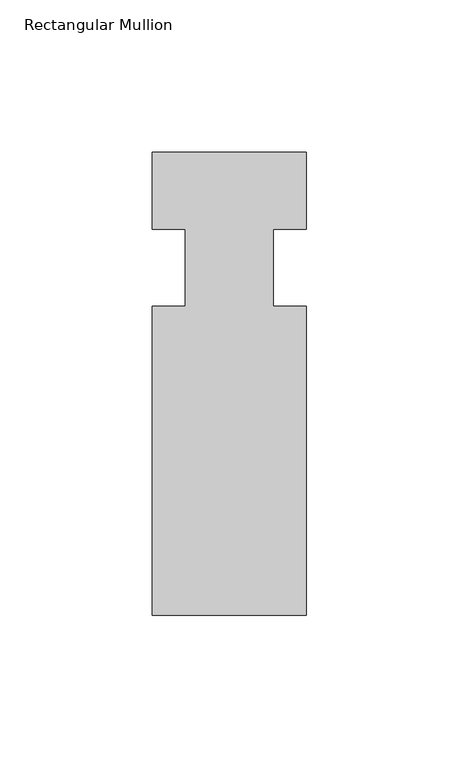
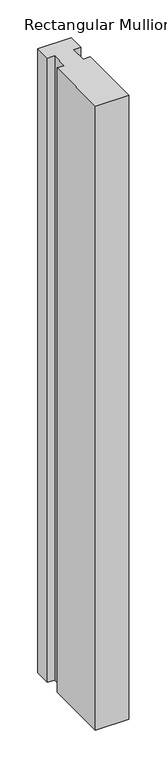
"""IFC4 building model written with IfcOpenShell, lengths in millimetres: member geometry, Rectangular Mullion."""

from ifc_helpers import new_model, si_unit, frame, origin, place, context, project, spatial, polyline, outline, extrude, source, transform, mapped, element, save


def rectangular_mullion_246d43b1(model_context):
    return source(origin(), model_context, "Body", "SweptSolid", [
        extrude(outline(polyline([(-25.4, 0.0), (25.4, 0.0), (25.4, -25.4), (14.398625, -25.4), (14.398625, -50.8), (25.4, -50.8), (25.4, -152.4), (-25.4, -152.4), (-25.4, -50.8), (-14.398625, -50.8), (-14.398625, -25.4), (-25.4, -25.4), (-25.4, 0.0)])), frame((0.0, 0.0, -1007.5331431), z_axis=(0.0, 0.0, 1.0), x_axis=(1.0, 0.0, 0.0)), (0.0, 0.0, 1.0), 1007.5331431),
    ])


if __name__ == "__main__":
    model = new_model("IFC4")
    model_context = context("Model", 3, world=origin())
    ifc_project = project(units=[si_unit("LENGTHUNIT", "METRE", prefix="MILLI")], contexts=[model_context])
    site = spatial("IfcSite", under=ifc_project)
    building = spatial("IfcBuilding", under=site)
    placement = place(None, origin())
    rectangular_mullion_shape = rectangular_mullion_246d43b1(model_context)
    element("IfcMember", 1, ObjectType="Rectangular Mullion", at=placement, inside=building, context=model_context, shape_type="MappedRepresentation", body=[
        mapped(rectangular_mullion_shape, transform((0.0, 0.0, 0.0), x_axis=(1.0, 0.0, 0.0), y_axis=(0.0, 1.0, 0.0), z_axis=(0.0, 0.0, 1.0))),
    ])
    save(model, "model.ifc")
